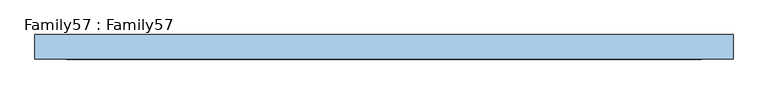
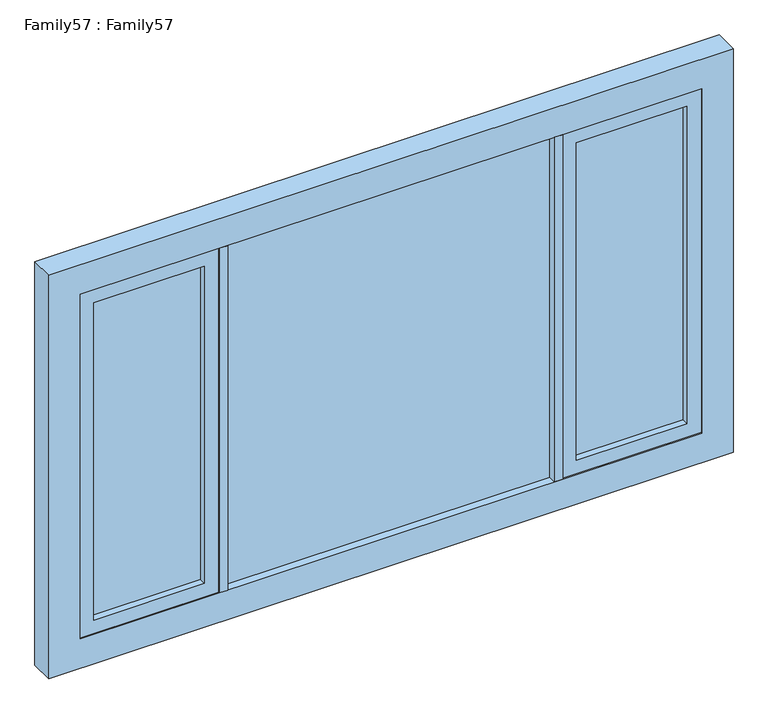
"""IFC4 building model written with IfcOpenShell, lengths in millimetres: window geometry, Family57 : Family57."""

from ifc_helpers import new_model, si_unit, frame, origin, place, context, project, spatial, polyline, outline, extrude, source, transform, mapped, element, save


def family57_family57_ca908eff(model_context):
    return source(origin(), model_context, "Body", "SweptSolid", [
        extrude(outline(polyline([(570.0, 14.0), (570.0, 10.0), (-570.0, 10.0), (-570.0, 14.0), (570.0, 14.0)])), frame((0.0, 0.0, 909.0), z_axis=(0.0, 0.0, 1.0), x_axis=(1.0, 0.0, 0.0)), (0.0, 0.0, 1.0), 1272.0),
        extrude(outline(polyline([(-570.0, -10.0), (570.0, -10.0), (570.0, -14.0), (-570.0, -14.0), (-570.0, -10.0)])), frame((0.0, 0.0, 909.0), z_axis=(0.0, 0.0, 1.0), x_axis=(1.0, 0.0, 0.0)), (0.0, 0.0, 1.0), 1272.0),
        extrude(outline(polyline([(-650.0, 14.0), (-650.0, 10.0), (-1036.0, 10.0), (-1036.0, 14.0), (-650.0, 14.0)])), frame((0.0, 0.0, 959.0), z_axis=(0.0, 0.0, 1.0), x_axis=(1.0, 0.0, 0.0)), (0.0, 0.0, 1.0), 1172.0),
        extrude(outline(polyline([(-650.0, -10.0), (-650.0, -14.0), (-1036.0, -14.0), (-1036.0, -10.0), (-650.0, -10.0)])), frame((0.0, 0.0, 959.0), z_axis=(0.0, 0.0, 1.0), x_axis=(1.0, 0.0, 0.0)), (0.0, 0.0, 1.0), 1172.0),
        extrude(outline(polyline([(1036.0, 14.0), (1036.0, 10.0), (650.0, 10.0), (650.0, 14.0), (1036.0, 14.0)])), frame((0.0, 0.0, 959.0), z_axis=(0.0, 0.0, 1.0), x_axis=(1.0, 0.0, 0.0)), (0.0, 0.0, 1.0), 1172.0),
        extrude(outline(polyline([(650.0, -10.0), (1036.0, -10.0), (1036.0, -14.0), (650.0, -14.0), (650.0, -10.0)])), frame((0.0, 0.0, 959.0), z_axis=(0.0, 0.0, 1.0), x_axis=(1.0, 0.0, 0.0)), (0.0, 0.0, 1.0), 1172.0),
        extrude(outline(polyline([(600.0, -42.0), (570.0, -42.0), (570.0, 42.0), (600.0, 42.0), (600.0, -42.0)])), frame((0.0, 0.0, 909.0), z_axis=(0.0, 0.0, 1.0), x_axis=(1.0, 0.0, 0.0)), (0.0, 0.0, 1.0), 1272.0),
        extrude(outline(polyline([(-570.0, -42.0), (-600.0, -42.0), (-600.0, 42.0), (-570.0, 42.0), (-570.0, -42.0)])), frame((0.0, 0.0, 909.0), z_axis=(0.0, 0.0, 1.0), x_axis=(1.0, 0.0, 0.0)), (0.0, 0.0, 1.0), 1272.0),
        extrude(outline(polyline([(2181.0, 600.0), (909.0, 600.0), (909.0, 1086.0), (2181.0, 1086.0), (2181.0, 600.0)]), holes=[polyline([(959.0, 650.0), (2131.0, 650.0), (2131.0, 1036.0), (959.0, 1036.0), (959.0, 650.0)])]), frame((0.0, -38.0, 0.0), z_axis=(0.0, 1.0, 0.0), x_axis=(0.0, 0.0, 1.0)), (0.0, 0.0, 1.0), 76.0),
        extrude(outline(polyline([(2181.0, -600.0), (2181.0, -1086.0), (909.0, -1086.0), (909.0, -600.0), (2181.0, -600.0)]), holes=[polyline([(959.0, -650.0), (959.0, -1036.0), (2131.0, -1036.0), (2131.0, -650.0), (959.0, -650.0)])]), frame((0.0, -38.0, 0.0), z_axis=(0.0, 1.0, 0.0), x_axis=(0.0, 0.0, 1.0)), (0.0, 0.0, 1.0), 76.0),
        extrude(outline(polyline([(2290.0, 1195.0), (2290.0, -1195.0), (800.0, -1195.0), (800.0, 1195.0), (2290.0, 1195.0)]), holes=[polyline([(909.0, 1086.0), (909.0, -1086.0), (2181.0, -1086.0), (2181.0, 1086.0), (909.0, 1086.0)])]), frame((0.0, -42.0, 0.0), z_axis=(0.0, 1.0, 0.0), x_axis=(0.0, 0.0, 1.0)), (0.0, 0.0, 1.0), 84.0),
    ])


if __name__ == "__main__":
    model = new_model("IFC4")
    model_context = context("Model", 3, world=origin())
    ifc_project = project(units=[si_unit("LENGTHUNIT", "METRE", prefix="MILLI")], contexts=[model_context])
    site = spatial("IfcSite", under=ifc_project)
    building = spatial("IfcBuilding", under=site)
    placement = place(None, origin())
    family57_family57_shape = family57_family57_ca908eff(model_context)
    element("IfcWindow", 1, ObjectType="Family57 : Family57", at=placement, inside=building, context=model_context, shape_type="MappedRepresentation", body=[
        mapped(family57_family57_shape, transform((0.0, 0.0, 0.0), x_axis=(1.0, 0.0, 0.0), y_axis=(0.0, 1.0, 0.0), z_axis=(0.0, 0.0, 1.0))),
    ])
    save(model, "model.ifc")
